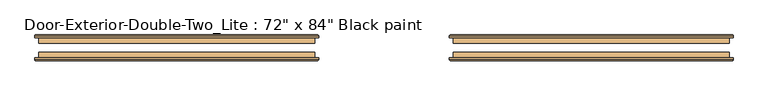
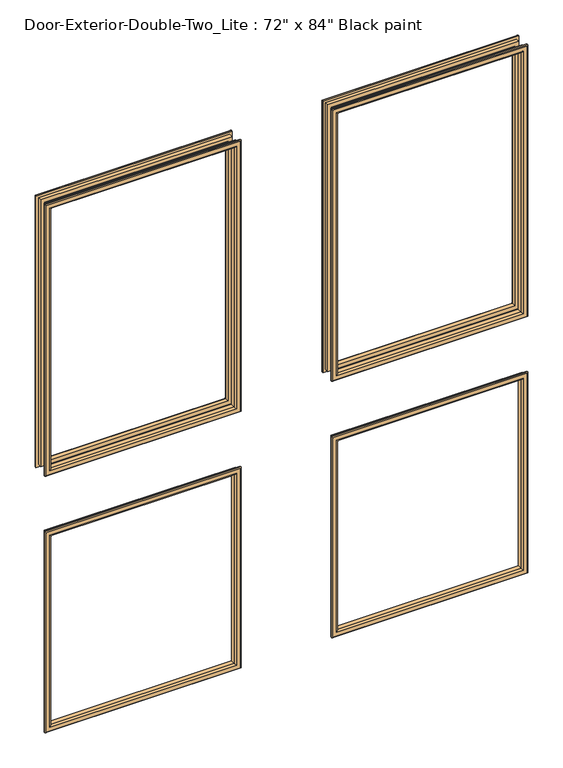
"""IFC4 building model written with IfcOpenShell, lengths in millimetres: door geometry."""

import ifcopenshell
import ifcopenshell.guid

model = None  # the IFC model being written
_history = None  # IfcOwnerHistory: only IFC2X3 demands one
_inside = {}  # id of a spatial element -> (the spatial element, [elements in it])
_under = {}  # id of a project, library or spatial element -> (it, [spatial elements below it])
_declared = {}  # id of a project -> (the project, [libraries it declares])
_typed = {}  # id of a type object -> (the type object, [elements of that type])
_made_of = {}  # id of a material, layer set ... -> (it, [elements and type objects made of it])


def new_model(schema):
    """Start an empty IFC model of exactly this schema.

    Asked for "IFC4X3", IfcOpenShell would pick the latest addendum, in which some entities
    have other attributes; the version numbers below select the first issue.
    IFC2X3 requires an IfcOwnerHistory on every rooted entity: one is made here for all.
    """
    global model, _history
    if schema == "IFC4X3":
        model = ifcopenshell.file(schema_version=(4, 3, 0, 0))
    else:
        model = ifcopenshell.file(schema=schema)
    _inside.clear()
    _under.clear()
    _declared.clear()
    _typed.clear()
    _made_of.clear()
    _history = None
    if model.schema == "IFC2X3":
        org = make("IfcOrganization", Name="unknown")
        user = make(
            "IfcPersonAndOrganization",
            ThePerson=make("IfcPerson", FamilyName="unknown"),
            TheOrganization=org,
        )
        app = make(
            "IfcApplication",
            ApplicationDeveloper=org,
            Version="unknown",
            ApplicationFullName="unknown",
            ApplicationIdentifier="unknown",
        )
        _history = make(
            "IfcOwnerHistory",
            OwningUser=user,
            OwningApplication=app,
            ChangeAction="ADDED",
            CreationDate=0,
        )
    return model


def make(cls, **values):
    """One entity of the class cls with the attributes given. An attribute that is None is left unset."""
    return model.create_entity(
        cls, **{name: value for name, value in values.items() if value is not None}
    )


def rooted(cls, **values):
    """An entity with a GlobalId (a new one), such as an element, a storey or a relation."""
    return make(cls, GlobalId=ifcopenshell.guid.new(), OwnerHistory=_history, **values)


def si_unit(unit_type, name, prefix=None):
    """IfcSIUnit, for example si_unit("LENGTHUNIT", "METRE", prefix="MILLI")."""
    return make("IfcSIUnit", UnitType=unit_type, Prefix=prefix, Name=name)


def assignment(units):
    """IfcUnitAssignment: the units of a project."""
    return None if units is None else make("IfcUnitAssignment", Units=units)


def point(xyz):
    """IfcCartesianPoint."""
    return None if xyz is None else make("IfcCartesianPoint", Coordinates=xyz)


def direction(xyz):
    """IfcDirection."""
    return None if xyz is None else make("IfcDirection", DirectionRatios=xyz)


def frame(location, z_axis=None, x_axis=None):
    """IfcAxis2Placement3D, a coordinate frame: its origin and axes. An axis left out is left unset."""
    return make(
        "IfcAxis2Placement3D",
        Location=point(location),
        Axis=direction(z_axis),
        RefDirection=direction(x_axis),
    )


def origin():
    """The frame at (0, 0, 0) with its axes left unset."""
    return frame((0.0, 0.0, 0.0))


def place(relative_to, where):
    """IfcLocalPlacement: puts the frame where relative to a parent placement (None: the world)."""
    return make(
        "IfcLocalPlacement", PlacementRelTo=relative_to, RelativePlacement=where
    )


def context(
    kind, dimensions, precision=None, world=None, true_north=None, identifier=None
):
    """IfcGeometricRepresentationContext, for example the 3D "Model" context."""
    return make(
        "IfcGeometricRepresentationContext",
        ContextIdentifier=identifier,
        ContextType=kind,
        CoordinateSpaceDimension=dimensions,
        Precision=precision,
        WorldCoordinateSystem=world,
        TrueNorth=true_north,
    )


def project(units=None, contexts=None):
    """IfcProject with its units and contexts."""
    return rooted(
        "IfcProject",
        Name="project",
        RepresentationContexts=contexts,
        UnitsInContext=assignment(units),
    )


def spatial(cls, under=None, at=None, **own):
    """A site, building, storey or space (cls), placed at a placement, below another one or the project."""
    s = rooted(cls, ObjectPlacement=at, **own)
    if under is not None:
        _under.setdefault(under.id(), (under, []))[1].append(s)
    return s


def ellipse_curve(where, semi_axis1, semi_axis2):
    """IfcEllipse in the frame where."""
    return make(
        "IfcEllipse", Position=where, SemiAxis1=semi_axis1, SemiAxis2=semi_axis2
    )


def shape(context_of_items, identifier, shape_type, items):
    """IfcShapeRepresentation: the items that make up one representation, for example the "Body"."""
    return make(
        "IfcShapeRepresentation",
        ContextOfItems=context_of_items,
        RepresentationIdentifier=identifier,
        RepresentationType=shape_type,
        Items=items,
    )


def source(mapping_origin, context_of_items, identifier, shape_type, items):
    """IfcRepresentationMap: a shape defined once, which mapped items show again and again."""
    return make(
        "IfcRepresentationMap",
        MappingOrigin=mapping_origin,
        MappedRepresentation=shape(context_of_items, identifier, shape_type, items),
    )


def transform(
    local_origin,
    x_axis=None,
    y_axis=None,
    z_axis=None,
    scale=None,
    scale2=None,
    scale3=None,
    uniform=True,
):
    """IfcCartesianTransformationOperator3D, or its non-uniform kind. x_axis, y_axis, z_axis: its Axis1, 2, 3."""
    if uniform:
        return make(
            "IfcCartesianTransformationOperator3D",
            Axis1=direction(x_axis),
            Axis2=direction(y_axis),
            LocalOrigin=point(local_origin),
            Scale=scale,
            Axis3=direction(z_axis),
        )
    return make(
        "IfcCartesianTransformationOperator3DnonUniform",
        Axis1=direction(x_axis),
        Axis2=direction(y_axis),
        LocalOrigin=point(local_origin),
        Scale=scale,
        Axis3=direction(z_axis),
        Scale2=scale2,
        Scale3=scale3,
    )


def mapped(mapping_source, mapping_target):
    """IfcMappedItem: shows the shape of a source again, moved by a transform."""
    return make(
        "IfcMappedItem", MappingSource=mapping_source, MappingTarget=mapping_target
    )


def made_of(thing, what):
    """Note that an element or type object is made of a material, layer set ...; save() writes the relation."""
    if what is not None:
        _made_of.setdefault(what.id(), (what, []))[1].append(thing)
    return thing


def element(
    cls,
    number,
    at=None,
    inside=None,
    cuts=None,
    type_object=None,
    material=None,
    context=None,
    identifier="Body",
    shape_type=None,
    held_by="IfcProductDefinitionShape",
    body=None,
    shapes=None,
    **own,
):
    """One element of the class cls, such as IfcWall. Its Tag is "e" and its number.

    at: its placement. inside: the storey or other place that contains it. cuts: it is an
    opening in that element (IfcRelVoidsElement). A single representation is given by context,
    identifier, shape_type and body (its items); several are given by shapes. held_by: the class
    of the entity that holds the representations. save() writes the other relations.
    """
    e = rooted(cls, Tag="e%d" % number, ObjectPlacement=at, **own)
    if body is not None:
        shapes = [shape(context, identifier, shape_type, body)]
    if shapes is not None:
        e.Representation = make(held_by, Representations=shapes)
    if inside is not None:
        _inside.setdefault(inside.id(), (inside, []))[1].append(e)
    if cuts is not None:
        rooted(
            "IfcRelVoidsElement", RelatingBuildingElement=cuts, RelatedOpeningElement=e
        )
    if type_object is not None:
        _typed.setdefault(type_object.id(), (type_object, []))[1].append(e)
    return made_of(e, material)


def aggregate(whole, parts):
    """IfcRelAggregates: a whole, such as a stair, and the parts it consists of."""
    return rooted("IfcRelAggregates", RelatingObject=whole, RelatedObjects=parts)


def save(model, path):
    """Write the relations noted so far, then the file.

    IfcRelAggregates (storeys below a building ...), IfcRelContainedInSpatialStructure (elements
    in a storey), IfcRelDefinesByType, IfcRelAssociatesMaterial and IfcRelDeclares: one each for
    every whole, place, type object, material and project.
    """
    for whole, parts in _under.values():
        aggregate(whole, parts)
    for where, things in _inside.values():
        rooted(
            "IfcRelContainedInSpatialStructure",
            RelatedElements=things,
            RelatingStructure=where,
        )
    for kind, things in _typed.values():
        rooted("IfcRelDefinesByType", RelatedObjects=things, RelatingType=kind)
    for what, things in _made_of.values():
        rooted("IfcRelAssociatesMaterial", RelatedObjects=things, RelatingMaterial=what)
    for by, libraries in _declared.values():
        rooted("IfcRelDeclares", RelatingContext=by, RelatedDefinitions=libraries)
    model.write(path)


def plane_surface(at):
    """IfcPlane: the flat surface through the origin of the frame at, square to its z axis."""
    return make("IfcPlane", Position=at)


def cylinder_surface(at, radius):
    """IfcCylindricalSurface: all points at the distance radius from the z axis of the frame at."""
    return make("IfcCylindricalSurface", Position=at, Radius=radius)


def advanced_brep(points, edges, surfaces, faces):
    """IfcAdvancedBrep: a solid bounded by faces that lie on surfaces and meet in shared edges.

    An edge is (start, end): straight between two places in points (the first is 0);
    or (start, end, curve); or (start, end, curve, False) where it runs against its curve.
    A face is (place in surfaces, loops), or (place, loops, False) where it looks against
    its surface's normal. A loop lists edges by number (the first is 1), with a minus sign
    where the edge is run from its end to its start. The first loop is the outer one.
    """
    corners = [point(p) for p in points]
    vertices = [make("IfcVertexPoint", VertexGeometry=c) for c in corners]
    made = []
    for start, end, *more in edges:
        made.append(
            make(
                "IfcEdgeCurve",
                EdgeStart=vertices[start],
                EdgeEnd=vertices[end],
                EdgeGeometry=more[0] if more else make("IfcPolyline", Points=[corners[start], corners[end]]),
                SameSense=more[1] if len(more) > 1 else True,
            )
        )
    hull = []
    for where, loops, *sense in faces:
        bounds = []
        for j, loop in enumerate(loops):
            ring = [make("IfcOrientedEdge", EdgeElement=made[abs(k) - 1], Orientation=k > 0) for k in loop]
            bounds.append(
                make(
                    "IfcFaceOuterBound" if j == 0 else "IfcFaceBound",
                    Bound=make("IfcEdgeLoop", EdgeList=ring),
                    Orientation=True,
                )
            )
        hull.append(make("IfcAdvancedFace", Bounds=bounds, FaceSurface=surfaces[where], SameSense=sense[0] if sense else True))
    return make("IfcAdvancedBrep", Outer=make("IfcClosedShell", CfsFaces=hull))


def door_36c5cf76(model_context):
    return source(origin(), model_context, "Body", "AdvancedBrep", [
        advanced_brep(
        [(152.4, 195.2625, 2016.125), (152.4, 207.9625, 2016.125), (152.4, 207.9625, 1117.6), (152.4, 195.2625, 1117.6), (164.4, 208.9625, 2004.125), (164.4, 195.2625, 2004.125), (164.4, 195.2625, 1129.6), (164.4, 208.9625, 1129.6), (159.4, 213.9625, 2009.125), (159.4, 213.9625, 1124.6), (144.4, 211.9625, 2024.125), (146.4, 213.9625, 2022.125), (146.4, 213.9625, 1111.6), (144.4, 211.9625, 1109.6), (144.4, 207.9625, 2024.125), (144.4, 207.9625, 1109.6), (762.0, 207.9625, 1117.6), (762.0, 195.2625, 1117.6), (750.0, 195.2625, 1129.6), (750.0, 208.9625, 1129.6), (755.0, 213.9625, 1124.6), (768.0, 213.9625, 1111.6), (770.0, 211.9625, 1109.6), (770.0, 207.9625, 1109.6), (762.0, 207.9625, 2016.125), (762.0, 195.2625, 2016.125), (750.0, 195.2625, 2004.125), (750.0, 208.9625, 2004.125), (755.0, 213.9625, 2009.125), (768.0, 213.9625, 2022.125), (770.0, 211.9625, 2024.125), (770.0, 207.9625, 2024.125)],
        [
            (0, 1),
            (1, 2),
            (2, 3),
            (3, 0),
            (4, 5),
            (5, 6),
            (6, 7),
            (7, 4),
            (8, 4, ellipse_curve(frame((159.4, 208.9625, 2009.125), z_axis=(-0.7071067811865475, 0.0, -0.7071067811865475), x_axis=(-0.7071067811865474, 0.0, 0.7071067811865476)), 7.0710678, 5.0)),
            (7, 9, ellipse_curve(frame((159.4, 208.9625, 1124.6), z_axis=(-0.7071067811865475, 0.0, 0.7071067811865475), x_axis=(0.7071067811865474, 0.0, 0.7071067811865476)), 7.0710678, 5.0)),
            (9, 8),
            (10, 11, ellipse_curve(frame((146.4, 211.9625, 2022.125), z_axis=(-0.7071067811865475, 0.0, -0.7071067811865475), x_axis=(-0.7071067811865474, 0.0, 0.7071067811865476)), 2.8284271, 2.0)),
            (11, 12),
            (12, 13, ellipse_curve(frame((146.4, 211.9625, 1111.6), z_axis=(-0.7071067811865475, 0.0, 0.7071067811865475), x_axis=(0.7071067811865474, 0.0, 0.7071067811865476)), 2.8284271, 2.0)),
            (13, 10),
            (14, 10),
            (13, 15),
            (15, 14),
            (2, 16),
            (16, 17),
            (17, 3),
            (6, 18),
            (18, 19),
            (19, 7),
            (19, 20, ellipse_curve(frame((755.0, 208.9625, 1124.6), z_axis=(-0.7071067811865475, 0.0, -0.7071067811865475), x_axis=(-0.7071067811865476, 0.0, 0.7071067811865474)), 7.0710678, 5.0)),
            (20, 9),
            (12, 21),
            (21, 22, ellipse_curve(frame((768.0, 211.9625, 1111.6), z_axis=(-0.7071067811865475, 0.0, -0.7071067811865475), x_axis=(-0.7071067811865476, 0.0, 0.7071067811865474)), 2.8284271, 2.0)),
            (22, 13),
            (22, 23),
            (23, 15),
            (16, 24),
            (24, 25),
            (25, 17),
            (18, 26),
            (26, 27),
            (27, 19),
            (27, 28, ellipse_curve(frame((755.0, 208.9625, 2009.125), z_axis=(0.7071067811865475, 0.0, -0.7071067811865475), x_axis=(-0.7071067811865474, 0.0, -0.7071067811865476)), 7.0710678, 5.0)),
            (28, 20),
            (21, 29),
            (29, 30, ellipse_curve(frame((768.0, 211.9625, 2022.125), z_axis=(0.7071067811865475, 0.0, -0.7071067811865475), x_axis=(-0.7071067811865474, 0.0, -0.7071067811865476)), 2.8284271, 2.0)),
            (30, 22),
            (30, 31),
            (31, 23),
            (31, 14),
            (1, 24),
            (0, 25),
            (5, 26),
            (4, 27),
            (8, 28),
            (11, 29),
            (10, 30),
        ],
        [
            plane_surface(frame((152.4, 207.9625, 2016.125), z_axis=(-1.0, 0.0, 0.0), x_axis=(0.0, 0.0, -1.0))),
            plane_surface(frame((164.4, 195.2625, 2004.125), z_axis=(1.0, 0.0, 0.0), x_axis=(0.0, 0.0, -1.0))),
            cylinder_surface(frame((159.4, 208.9625, 2016.125), z_axis=(0.0, 0.0, 1.0), x_axis=(-1.0, 0.0, 0.0)), 5.0),
            cylinder_surface(frame((146.4, 211.9625, 2016.125), z_axis=(0.0, 0.0, 1.0), x_axis=(-1.0, 0.0, 0.0)), 2.0),
            plane_surface(frame((144.4, 211.9625, 2024.125), z_axis=(-1.0, 0.0, 0.0), x_axis=(0.0, 0.0, -1.0))),
            plane_surface(frame((152.4, 207.9625, 1117.6), z_axis=(0.0, 0.0, -1.0), x_axis=(1.0, 0.0, 0.0))),
            plane_surface(frame((164.4, 195.2625, 1129.6), z_axis=(0.0, 0.0, 1.0), x_axis=(1.0, 0.0, 0.0))),
            cylinder_surface(frame((152.4, 208.9625, 1124.6), z_axis=(-1.0, 0.0, 0.0), x_axis=(0.0, 0.0, -1.0)), 5.0),
            cylinder_surface(frame((152.4, 211.9625, 1111.6), z_axis=(-1.0, 0.0, 0.0), x_axis=(0.0, 0.0, -1.0)), 2.0),
            plane_surface(frame((144.4, 211.9625, 1109.6), z_axis=(0.0, 0.0, -1.0), x_axis=(1.0, 0.0, 0.0))),
            plane_surface(frame((762.0, 207.9625, 1117.6), z_axis=(1.0, 0.0, 0.0), x_axis=(0.0, 0.0, 1.0))),
            plane_surface(frame((750.0, 195.2625, 1129.6), z_axis=(-1.0, 0.0, 0.0), x_axis=(0.0, 0.0, 1.0))),
            cylinder_surface(frame((755.0, 208.9625, 1117.6), z_axis=(0.0, 0.0, -1.0), x_axis=(1.0, 0.0, 0.0)), 5.0),
            cylinder_surface(frame((768.0, 211.9625, 1117.6), z_axis=(0.0, 0.0, -1.0), x_axis=(1.0, 0.0, 0.0)), 2.0),
            plane_surface(frame((770.0, 211.9625, 1109.6), z_axis=(1.0, 0.0, 0.0), x_axis=(0.0, 0.0, 1.0))),
            plane_surface(frame((770.0, 207.9625, 2024.125), z_axis=(0.0, -1.0, 0.0), x_axis=(-1.0, 0.0, 0.0))),
            plane_surface(frame((762.0, 207.9625, 2016.125), z_axis=(0.0, 0.0, 1.0), x_axis=(-1.0, 0.0, 0.0))),
            plane_surface(frame((762.0, 195.2625, 2016.125), z_axis=(0.0, -1.0, 0.0), x_axis=(-1.0, 0.0, 0.0))),
            plane_surface(frame((750.0, 195.2625, 2004.125), z_axis=(0.0, 0.0, -1.0), x_axis=(-1.0, 0.0, 0.0))),
            cylinder_surface(frame((762.0, 208.9625, 2009.125), z_axis=(1.0, 0.0, 0.0), x_axis=(0.0, 0.0, 1.0)), 5.0),
            plane_surface(frame((755.0, 213.9625, 2009.125), z_axis=(0.0, 1.0, 0.0), x_axis=(-1.0, 0.0, 0.0))),
            cylinder_surface(frame((762.0, 211.9625, 2022.125), z_axis=(1.0, 0.0, 0.0), x_axis=(0.0, 0.0, 1.0)), 2.0),
            plane_surface(frame((770.0, 211.9625, 2024.125), z_axis=(0.0, 0.0, 1.0), x_axis=(-1.0, 0.0, 0.0))),
        ],
        [
            (0, [[1, 2, 3, 4]]),
            (1, [[5, 6, 7, 8]]),
            (2, [[9, -8, 10, 11]]),
            (3, [[12, 13, 14, 15]]),
            (4, [[16, -15, 17, 18]]),
            (5, [[-3, 19, 20, 21]]),
            (6, [[-7, 22, 23, 24]]),
            (7, [[-10, -24, 25, 26]]),
            (8, [[-14, 27, 28, 29]]),
            (9, [[-17, -29, 30, 31]]),
            (10, [[-20, 32, 33, 34]]),
            (11, [[-23, 35, 36, 37]]),
            (12, [[-25, -37, 38, 39]]),
            (13, [[-28, 40, 41, 42]]),
            (14, [[-30, -42, 43, 44]]),
            (15, [[-31, -44, 45, -18], [46, -32, -19, -2]]),
            (16, [[-33, -46, -1, 47]]),
            (17, [[-21, -34, -47, -4], [48, -35, -22, -6]]),
            (18, [[-36, -48, -5, 49]]),
            (19, [[-38, -49, -9, 50]]),
            (20, [[51, -40, -27, -13], [-26, -39, -50, -11]]),
            (21, [[-41, -51, -12, 52]]),
            (22, [[-43, -52, -16, -45]]),
        ],
    ),
        advanced_brep(
        [(-762.0, 195.2625, 2016.125), (-762.0, 207.9625, 2016.125), (-762.0, 207.9625, 1117.6), (-762.0, 195.2625, 1117.6), (-750.0, 208.9625, 2004.125), (-750.0, 195.2625, 2004.125), (-750.0, 195.2625, 1129.6), (-750.0, 208.9625, 1129.6), (-755.0, 213.9625, 2009.125), (-755.0, 213.9625, 1124.6), (-770.0, 211.9625, 2024.125), (-768.0, 213.9625, 2022.125), (-768.0, 213.9625, 1111.6), (-770.0, 211.9625, 1109.6), (-770.0, 207.9625, 2024.125), (-770.0, 207.9625, 1109.6), (-152.4, 207.9625, 1117.6), (-152.4, 195.2625, 1117.6), (-164.4, 195.2625, 1129.6), (-164.4, 208.9625, 1129.6), (-159.4, 213.9625, 1124.6), (-146.4, 213.9625, 1111.6), (-144.4, 211.9625, 1109.6), (-144.4, 207.9625, 1109.6), (-152.4, 207.9625, 2016.125), (-152.4, 195.2625, 2016.125), (-164.4, 195.2625, 2004.125), (-164.4, 208.9625, 2004.125), (-159.4, 213.9625, 2009.125), (-146.4, 213.9625, 2022.125), (-144.4, 211.9625, 2024.125), (-144.4, 207.9625, 2024.125)],
        [
            (0, 1),
            (1, 2),
            (2, 3),
            (3, 0),
            (4, 5),
            (5, 6),
            (6, 7),
            (7, 4),
            (8, 4, ellipse_curve(frame((-755.0, 208.9625, 2009.125), z_axis=(-0.7071067811865475, 0.0, -0.7071067811865475), x_axis=(-0.7071067811865474, 0.0, 0.7071067811865476)), 7.0710678, 5.0)),
            (7, 9, ellipse_curve(frame((-755.0, 208.9625, 1124.6), z_axis=(-0.7071067811865475, 0.0, 0.7071067811865475), x_axis=(0.7071067811865474, 0.0, 0.7071067811865476)), 7.0710678, 5.0)),
            (9, 8),
            (10, 11, ellipse_curve(frame((-768.0, 211.9625, 2022.125), z_axis=(-0.7071067811865475, 0.0, -0.7071067811865475), x_axis=(-0.7071067811865474, 0.0, 0.7071067811865476)), 2.8284271, 2.0)),
            (11, 12),
            (12, 13, ellipse_curve(frame((-768.0, 211.9625, 1111.6), z_axis=(-0.7071067811865475, 0.0, 0.7071067811865475), x_axis=(0.7071067811865474, 0.0, 0.7071067811865476)), 2.8284271, 2.0)),
            (13, 10),
            (14, 10),
            (13, 15),
            (15, 14),
            (2, 16),
            (16, 17),
            (17, 3),
            (6, 18),
            (18, 19),
            (19, 7),
            (19, 20, ellipse_curve(frame((-159.4, 208.9625, 1124.6), z_axis=(-0.7071067811865475, 0.0, -0.7071067811865475), x_axis=(-0.7071067811865476, 0.0, 0.7071067811865474)), 7.0710678, 5.0)),
            (20, 9),
            (12, 21),
            (21, 22, ellipse_curve(frame((-146.4, 211.9625, 1111.6), z_axis=(-0.7071067811865475, 0.0, -0.7071067811865475), x_axis=(-0.7071067811865476, 0.0, 0.7071067811865474)), 2.8284271, 2.0)),
            (22, 13),
            (22, 23),
            (23, 15),
            (16, 24),
            (24, 25),
            (25, 17),
            (18, 26),
            (26, 27),
            (27, 19),
            (27, 28, ellipse_curve(frame((-159.4, 208.9625, 2009.125), z_axis=(0.7071067811865475, 0.0, -0.7071067811865475), x_axis=(-0.7071067811865474, 0.0, -0.7071067811865476)), 7.0710678, 5.0)),
            (28, 20),
            (21, 29),
            (29, 30, ellipse_curve(frame((-146.4, 211.9625, 2022.125), z_axis=(0.7071067811865475, 0.0, -0.7071067811865475), x_axis=(-0.7071067811865474, 0.0, -0.7071067811865476)), 2.8284271, 2.0)),
            (30, 22),
            (30, 31),
            (31, 23),
            (31, 14),
            (1, 24),
            (0, 25),
            (5, 26),
            (4, 27),
            (8, 28),
            (11, 29),
            (10, 30),
        ],
        [
            plane_surface(frame((-762.0, 207.9625, 2016.125), z_axis=(-1.0, 0.0, 0.0), x_axis=(0.0, 0.0, -1.0))),
            plane_surface(frame((-750.0, 195.2625, 2004.125), z_axis=(1.0, 0.0, 0.0), x_axis=(0.0, 0.0, -1.0))),
            cylinder_surface(frame((-755.0, 208.9625, 2016.125), z_axis=(0.0, 0.0, 1.0), x_axis=(-1.0, 0.0, 0.0)), 5.0),
            cylinder_surface(frame((-768.0, 211.9625, 2016.125), z_axis=(0.0, 0.0, 1.0), x_axis=(-1.0, 0.0, 0.0)), 2.0),
            plane_surface(frame((-770.0, 211.9625, 2024.125), z_axis=(-1.0, 0.0, 0.0), x_axis=(0.0, 0.0, -1.0))),
            plane_surface(frame((-762.0, 207.9625, 1117.6), z_axis=(0.0, 0.0, -1.0), x_axis=(1.0, 0.0, 0.0))),
            plane_surface(frame((-750.0, 195.2625, 1129.6), z_axis=(0.0, 0.0, 1.0), x_axis=(1.0, 0.0, 0.0))),
            cylinder_surface(frame((-762.0, 208.9625, 1124.6), z_axis=(-1.0, 0.0, 0.0), x_axis=(0.0, 0.0, -1.0)), 5.0),
            cylinder_surface(frame((-762.0, 211.9625, 1111.6), z_axis=(-1.0, 0.0, 0.0), x_axis=(0.0, 0.0, -1.0)), 2.0),
            plane_surface(frame((-770.0, 211.9625, 1109.6), z_axis=(0.0, 0.0, -1.0), x_axis=(1.0, 0.0, 0.0))),
            plane_surface(frame((-152.4, 207.9625, 1117.6), z_axis=(1.0, 0.0, 0.0), x_axis=(0.0, 0.0, 1.0))),
            plane_surface(frame((-164.4, 195.2625, 1129.6), z_axis=(-1.0, 0.0, 0.0), x_axis=(0.0, 0.0, 1.0))),
            cylinder_surface(frame((-159.4, 208.9625, 1117.6), z_axis=(0.0, 0.0, -1.0), x_axis=(1.0, 0.0, 0.0)), 5.0),
            cylinder_surface(frame((-146.4, 211.9625, 1117.6), z_axis=(0.0, 0.0, -1.0), x_axis=(1.0, 0.0, 0.0)), 2.0),
            plane_surface(frame((-144.4, 211.9625, 1109.6), z_axis=(1.0, 0.0, 0.0), x_axis=(0.0, 0.0, 1.0))),
            plane_surface(frame((-144.4, 207.9625, 2024.125), z_axis=(0.0, -1.0, 0.0), x_axis=(-1.0, 0.0, 0.0))),
            plane_surface(frame((-152.4, 207.9625, 2016.125), z_axis=(0.0, 0.0, 1.0), x_axis=(-1.0, 0.0, 0.0))),
            plane_surface(frame((-152.4, 195.2625, 2016.125), z_axis=(0.0, -1.0, 0.0), x_axis=(-1.0, 0.0, 0.0))),
            plane_surface(frame((-164.4, 195.2625, 2004.125), z_axis=(0.0, 0.0, -1.0), x_axis=(-1.0, 0.0, 0.0))),
            cylinder_surface(frame((-152.4, 208.9625, 2009.125), z_axis=(1.0, 0.0, 0.0), x_axis=(0.0, 0.0, 1.0)), 5.0),
            plane_surface(frame((-159.4, 213.9625, 2009.125), z_axis=(0.0, 1.0, 0.0), x_axis=(-1.0, 0.0, 0.0))),
            cylinder_surface(frame((-152.4, 211.9625, 2022.125), z_axis=(1.0, 0.0, 0.0), x_axis=(0.0, 0.0, 1.0)), 2.0),
            plane_surface(frame((-144.4, 211.9625, 2024.125), z_axis=(0.0, 0.0, 1.0), x_axis=(-1.0, 0.0, 0.0))),
        ],
        [
            (0, [[1, 2, 3, 4]]),
            (1, [[5, 6, 7, 8]]),
            (2, [[9, -8, 10, 11]]),
            (3, [[12, 13, 14, 15]]),
            (4, [[16, -15, 17, 18]]),
            (5, [[-3, 19, 20, 21]]),
            (6, [[-7, 22, 23, 24]]),
            (7, [[-10, -24, 25, 26]]),
            (8, [[-14, 27, 28, 29]]),
            (9, [[-17, -29, 30, 31]]),
            (10, [[-20, 32, 33, 34]]),
            (11, [[-23, 35, 36, 37]]),
            (12, [[-25, -37, 38, 39]]),
            (13, [[-28, 40, 41, 42]]),
            (14, [[-30, -42, 43, 44]]),
            (15, [[-31, -44, 45, -18], [46, -32, -19, -2]]),
            (16, [[-33, -46, -1, 47]]),
            (17, [[-21, -34, -47, -4], [48, -35, -22, -6]]),
            (18, [[-36, -48, -5, 49]]),
            (19, [[-38, -49, -9, 50]]),
            (20, [[51, -40, -27, -13], [-26, -39, -50, -11]]),
            (21, [[-41, -51, -12, 52]]),
            (22, [[-43, -52, -16, -45]]),
        ],
    ),
        advanced_brep(
        [(-762.0, 176.2125, 254.0), (-762.0, 163.5125, 254.0), (-762.0, 163.5125, 914.4), (-762.0, 176.2125, 914.4), (-750.0, 162.5125, 266.0), (-750.0, 176.2125, 266.0), (-750.0, 176.2125, 902.4), (-750.0, 162.5125, 902.4), (-755.0, 157.5125, 261.0), (-755.0, 157.5125, 907.4), (-770.0, 159.5125, 246.0), (-768.0, 157.5125, 248.0), (-768.0, 157.5125, 920.4), (-770.0, 159.5125, 922.4), (-770.0, 163.5125, 246.0), (-770.0, 163.5125, 922.4), (-152.4, 163.5125, 914.4), (-152.4, 176.2125, 914.4), (-164.4, 176.2125, 902.4), (-164.4, 162.5125, 902.4), (-159.4, 157.5125, 907.4), (-146.4, 157.5125, 920.4), (-144.4, 159.5125, 922.4), (-144.4, 163.5125, 922.4), (-152.4, 163.5125, 254.0), (-152.4, 176.2125, 254.0), (-164.4, 176.2125, 266.0), (-164.4, 162.5125, 266.0), (-159.4, 157.5125, 261.0), (-146.4, 157.5125, 248.0), (-144.4, 159.5125, 246.0), (-144.4, 163.5125, 246.0)],
        [
            (0, 1),
            (1, 2),
            (2, 3),
            (3, 0),
            (4, 5),
            (5, 6),
            (6, 7),
            (7, 4),
            (8, 4, ellipse_curve(frame((-755.0, 162.5125, 261.0), z_axis=(-0.7071067811865475, 0.0, 0.7071067811865475), x_axis=(-0.7071067811865474, 0.0, -0.7071067811865476)), 7.0710678, 5.0)),
            (7, 9, ellipse_curve(frame((-755.0, 162.5125, 907.4), z_axis=(-0.7071067811865475, 0.0, -0.7071067811865475), x_axis=(0.7071067811865474, 0.0, -0.7071067811865476)), 7.0710678, 5.0)),
            (9, 8),
            (10, 11, ellipse_curve(frame((-768.0, 159.5125, 248.0), z_axis=(-0.7071067811865475, 0.0, 0.7071067811865475), x_axis=(-0.7071067811865474, 0.0, -0.7071067811865476)), 2.8284271, 2.0)),
            (11, 12),
            (12, 13, ellipse_curve(frame((-768.0, 159.5125, 920.4), z_axis=(-0.7071067811865475, 0.0, -0.7071067811865475), x_axis=(0.7071067811865474, 0.0, -0.7071067811865476)), 2.8284271, 2.0)),
            (13, 10),
            (14, 10),
            (13, 15),
            (15, 14),
            (2, 16),
            (16, 17),
            (17, 3),
            (6, 18),
            (18, 19),
            (19, 7),
            (19, 20, ellipse_curve(frame((-159.4, 162.5125, 907.4), z_axis=(-0.7071067811865475, 0.0, 0.7071067811865475), x_axis=(-0.7071067811865476, 0.0, -0.7071067811865474)), 7.0710678, 5.0)),
            (20, 9),
            (12, 21),
            (21, 22, ellipse_curve(frame((-146.4, 159.5125, 920.4), z_axis=(-0.7071067811865475, 0.0, 0.7071067811865475), x_axis=(-0.7071067811865476, 0.0, -0.7071067811865474)), 2.8284271, 2.0)),
            (22, 13),
            (22, 23),
            (23, 15),
            (16, 24),
            (24, 25),
            (25, 17),
            (18, 26),
            (26, 27),
            (27, 19),
            (27, 28, ellipse_curve(frame((-159.4, 162.5125, 261.0), z_axis=(0.7071067811865475, 0.0, 0.7071067811865475), x_axis=(-0.7071067811865474, 0.0, 0.7071067811865476)), 7.0710678, 5.0)),
            (28, 20),
            (21, 29),
            (29, 30, ellipse_curve(frame((-146.4, 159.5125, 248.0), z_axis=(0.7071067811865475, 0.0, 0.7071067811865475), x_axis=(-0.7071067811865474, 0.0, 0.7071067811865476)), 2.8284271, 2.0)),
            (30, 22),
            (30, 31),
            (31, 23),
            (31, 14),
            (1, 24),
            (0, 25),
            (5, 26),
            (4, 27),
            (8, 28),
            (11, 29),
            (10, 30),
        ],
        [
            plane_surface(frame((-762.0, 163.5125, 254.0), z_axis=(-1.0, 0.0, 0.0), x_axis=(0.0, 0.0, 1.0))),
            plane_surface(frame((-750.0, 176.2125, 266.0), z_axis=(1.0, 0.0, 0.0), x_axis=(0.0, 0.0, 1.0))),
            cylinder_surface(frame((-755.0, 162.5125, 254.0), z_axis=(0.0, 0.0, -1.0), x_axis=(-1.0, 0.0, 0.0)), 5.0),
            cylinder_surface(frame((-768.0, 159.5125, 254.0), z_axis=(0.0, 0.0, -1.0), x_axis=(-1.0, 0.0, 0.0)), 2.0),
            plane_surface(frame((-770.0, 159.5125, 246.0), z_axis=(-1.0, 0.0, 0.0), x_axis=(0.0, 0.0, 1.0))),
            plane_surface(frame((-762.0, 163.5125, 914.4), z_axis=(0.0, 0.0, 1.0), x_axis=(1.0, 0.0, 0.0))),
            plane_surface(frame((-750.0, 176.2125, 902.4), z_axis=(0.0, 0.0, -1.0), x_axis=(1.0, 0.0, 0.0))),
            cylinder_surface(frame((-762.0, 162.5125, 907.4), z_axis=(-1.0, 0.0, 0.0), x_axis=(0.0, 0.0, 1.0)), 5.0),
            cylinder_surface(frame((-762.0, 159.5125, 920.4), z_axis=(-1.0, 0.0, 0.0), x_axis=(0.0, 0.0, 1.0)), 2.0),
            plane_surface(frame((-770.0, 159.5125, 922.4), z_axis=(0.0, 0.0, 1.0), x_axis=(1.0, 0.0, 0.0))),
            plane_surface(frame((-152.4, 163.5125, 914.4), z_axis=(1.0, 0.0, 0.0), x_axis=(0.0, 0.0, -1.0))),
            plane_surface(frame((-164.4, 176.2125, 902.4), z_axis=(-1.0, 0.0, 0.0), x_axis=(0.0, 0.0, -1.0))),
            cylinder_surface(frame((-159.4, 162.5125, 914.4), z_axis=(0.0, 0.0, 1.0), x_axis=(1.0, 0.0, 0.0)), 5.0),
            cylinder_surface(frame((-146.4, 159.5125, 914.4), z_axis=(0.0, 0.0, 1.0), x_axis=(1.0, 0.0, 0.0)), 2.0),
            plane_surface(frame((-144.4, 159.5125, 922.4), z_axis=(1.0, 0.0, 0.0), x_axis=(0.0, 0.0, -1.0))),
            plane_surface(frame((-144.4, 163.5125, 246.0), z_axis=(0.0, 1.0, 0.0), x_axis=(-1.0, 0.0, 0.0))),
            plane_surface(frame((-152.4, 163.5125, 254.0), z_axis=(0.0, 0.0, -1.0), x_axis=(-1.0, 0.0, 0.0))),
            plane_surface(frame((-152.4, 176.2125, 254.0), z_axis=(0.0, 1.0, 0.0), x_axis=(-1.0, 0.0, 0.0))),
            plane_surface(frame((-164.4, 176.2125, 266.0), z_axis=(0.0, 0.0, 1.0), x_axis=(-1.0, 0.0, 0.0))),
            cylinder_surface(frame((-152.4, 162.5125, 261.0), z_axis=(1.0, 0.0, 0.0), x_axis=(0.0, 0.0, -1.0)), 5.0),
            plane_surface(frame((-159.4, 157.5125, 261.0), z_axis=(0.0, -1.0, 0.0), x_axis=(-1.0, 0.0, 0.0))),
            cylinder_surface(frame((-152.4, 159.5125, 248.0), z_axis=(1.0, 0.0, 0.0), x_axis=(0.0, 0.0, -1.0)), 2.0),
            plane_surface(frame((-144.4, 159.5125, 246.0), z_axis=(0.0, 0.0, -1.0), x_axis=(-1.0, 0.0, 0.0))),
        ],
        [
            (0, [[1, 2, 3, 4]]),
            (1, [[5, 6, 7, 8]]),
            (2, [[9, -8, 10, 11]]),
            (3, [[12, 13, 14, 15]]),
            (4, [[16, -15, 17, 18]]),
            (5, [[-3, 19, 20, 21]]),
            (6, [[-7, 22, 23, 24]]),
            (7, [[-10, -24, 25, 26]]),
            (8, [[-14, 27, 28, 29]]),
            (9, [[-17, -29, 30, 31]]),
            (10, [[-20, 32, 33, 34]]),
            (11, [[-23, 35, 36, 37]]),
            (12, [[-25, -37, 38, 39]]),
            (13, [[-28, 40, 41, 42]]),
            (14, [[-30, -42, 43, 44]]),
            (15, [[-31, -44, 45, -18], [46, -32, -19, -2]]),
            (16, [[-33, -46, -1, 47]]),
            (17, [[-21, -34, -47, -4], [48, -35, -22, -6]]),
            (18, [[-36, -48, -5, 49]]),
            (19, [[-38, -49, -9, 50]]),
            (20, [[51, -40, -27, -13], [-26, -39, -50, -11]]),
            (21, [[-41, -51, -12, 52]]),
            (22, [[-43, -52, -16, -45]]),
        ],
    ),
        advanced_brep(
        [(152.4, 176.2125, 254.0), (152.4, 163.5125, 254.0), (152.4, 163.5125, 914.4), (152.4, 176.2125, 914.4), (164.4, 162.5125, 266.0), (164.4, 176.2125, 266.0), (164.4, 176.2125, 902.4), (164.4, 162.5125, 902.4), (159.4, 157.5125, 261.0), (159.4, 157.5125, 907.4), (144.4, 159.5125, 246.0), (146.4, 157.5125, 248.0), (146.4, 157.5125, 920.4), (144.4, 159.5125, 922.4), (144.4, 163.5125, 246.0), (144.4, 163.5125, 922.4), (762.0, 163.5125, 914.4), (762.0, 176.2125, 914.4), (750.0, 176.2125, 902.4), (750.0, 162.5125, 902.4), (755.0, 157.5125, 907.4), (768.0, 157.5125, 920.4), (770.0, 159.5125, 922.4), (770.0, 163.5125, 922.4), (762.0, 163.5125, 254.0), (762.0, 176.2125, 254.0), (750.0, 176.2125, 266.0), (750.0, 162.5125, 266.0), (755.0, 157.5125, 261.0), (768.0, 157.5125, 248.0), (770.0, 159.5125, 246.0), (770.0, 163.5125, 246.0)],
        [
            (0, 1),
            (1, 2),
            (2, 3),
            (3, 0),
            (4, 5),
            (5, 6),
            (6, 7),
            (7, 4),
            (8, 4, ellipse_curve(frame((159.4, 162.5125, 261.0), z_axis=(-0.7071067811865475, 0.0, 0.7071067811865475), x_axis=(-0.7071067811865474, 0.0, -0.7071067811865476)), 7.0710678, 5.0)),
            (7, 9, ellipse_curve(frame((159.4, 162.5125, 907.4), z_axis=(-0.7071067811865475, 0.0, -0.7071067811865475), x_axis=(0.7071067811865474, 0.0, -0.7071067811865476)), 7.0710678, 5.0)),
            (9, 8),
            (10, 11, ellipse_curve(frame((146.4, 159.5125, 248.0), z_axis=(-0.7071067811865475, 0.0, 0.7071067811865475), x_axis=(-0.7071067811865474, 0.0, -0.7071067811865476)), 2.8284271, 2.0)),
            (11, 12),
            (12, 13, ellipse_curve(frame((146.4, 159.5125, 920.4), z_axis=(-0.7071067811865475, 0.0, -0.7071067811865475), x_axis=(0.7071067811865474, 0.0, -0.7071067811865476)), 2.8284271, 2.0)),
            (13, 10),
            (14, 10),
            (13, 15),
            (15, 14),
            (2, 16),
            (16, 17),
            (17, 3),
            (6, 18),
            (18, 19),
            (19, 7),
            (19, 20, ellipse_curve(frame((755.0, 162.5125, 907.4), z_axis=(-0.7071067811865475, 0.0, 0.7071067811865475), x_axis=(-0.7071067811865476, 0.0, -0.7071067811865474)), 7.0710678, 5.0)),
            (20, 9),
            (12, 21),
            (21, 22, ellipse_curve(frame((768.0, 159.5125, 920.4), z_axis=(-0.7071067811865475, 0.0, 0.7071067811865475), x_axis=(-0.7071067811865476, 0.0, -0.7071067811865474)), 2.8284271, 2.0)),
            (22, 13),
            (22, 23),
            (23, 15),
            (16, 24),
            (24, 25),
            (25, 17),
            (18, 26),
            (26, 27),
            (27, 19),
            (27, 28, ellipse_curve(frame((755.0, 162.5125, 261.0), z_axis=(0.7071067811865475, 0.0, 0.7071067811865475), x_axis=(-0.7071067811865474, 0.0, 0.7071067811865476)), 7.0710678, 5.0)),
            (28, 20),
            (21, 29),
            (29, 30, ellipse_curve(frame((768.0, 159.5125, 248.0), z_axis=(0.7071067811865475, 0.0, 0.7071067811865475), x_axis=(-0.7071067811865474, 0.0, 0.7071067811865476)), 2.8284271, 2.0)),
            (30, 22),
            (30, 31),
            (31, 23),
            (31, 14),
            (1, 24),
            (0, 25),
            (5, 26),
            (4, 27),
            (8, 28),
            (11, 29),
            (10, 30),
        ],
        [
            plane_surface(frame((152.4, 163.5125, 254.0), z_axis=(-1.0, 0.0, 0.0), x_axis=(0.0, 0.0, 1.0))),
            plane_surface(frame((164.4, 176.2125, 266.0), z_axis=(1.0, 0.0, 0.0), x_axis=(0.0, 0.0, 1.0))),
            cylinder_surface(frame((159.4, 162.5125, 254.0), z_axis=(0.0, 0.0, -1.0), x_axis=(-1.0, 0.0, 0.0)), 5.0),
            cylinder_surface(frame((146.4, 159.5125, 254.0), z_axis=(0.0, 0.0, -1.0), x_axis=(-1.0, 0.0, 0.0)), 2.0),
            plane_surface(frame((144.4, 159.5125, 246.0), z_axis=(-1.0, 0.0, 0.0), x_axis=(0.0, 0.0, 1.0))),
            plane_surface(frame((152.4, 163.5125, 914.4), z_axis=(0.0, 0.0, 1.0), x_axis=(1.0, 0.0, 0.0))),
            plane_surface(frame((164.4, 176.2125, 902.4), z_axis=(0.0, 0.0, -1.0), x_axis=(1.0, 0.0, 0.0))),
            cylinder_surface(frame((152.4, 162.5125, 907.4), z_axis=(-1.0, 0.0, 0.0), x_axis=(0.0, 0.0, 1.0)), 5.0),
            cylinder_surface(frame((152.4, 159.5125, 920.4), z_axis=(-1.0, 0.0, 0.0), x_axis=(0.0, 0.0, 1.0)), 2.0),
            plane_surface(frame((144.4, 159.5125, 922.4), z_axis=(0.0, 0.0, 1.0), x_axis=(1.0, 0.0, 0.0))),
            plane_surface(frame((762.0, 163.5125, 914.4), z_axis=(1.0, 0.0, 0.0), x_axis=(0.0, 0.0, -1.0))),
            plane_surface(frame((750.0, 176.2125, 902.4), z_axis=(-1.0, 0.0, 0.0), x_axis=(0.0, 0.0, -1.0))),
            cylinder_surface(frame((755.0, 162.5125, 914.4), z_axis=(0.0, 0.0, 1.0), x_axis=(1.0, 0.0, 0.0)), 5.0),
            cylinder_surface(frame((768.0, 159.5125, 914.4), z_axis=(0.0, 0.0, 1.0), x_axis=(1.0, 0.0, 0.0)), 2.0),
            plane_surface(frame((770.0, 159.5125, 922.4), z_axis=(1.0, 0.0, 0.0), x_axis=(0.0, 0.0, -1.0))),
            plane_surface(frame((770.0, 163.5125, 246.0), z_axis=(0.0, 1.0, 0.0), x_axis=(-1.0, 0.0, 0.0))),
            plane_surface(frame((762.0, 163.5125, 254.0), z_axis=(0.0, 0.0, -1.0), x_axis=(-1.0, 0.0, 0.0))),
            plane_surface(frame((762.0, 176.2125, 254.0), z_axis=(0.0, 1.0, 0.0), x_axis=(-1.0, 0.0, 0.0))),
            plane_surface(frame((750.0, 176.2125, 266.0), z_axis=(0.0, 0.0, 1.0), x_axis=(-1.0, 0.0, 0.0))),
            cylinder_surface(frame((762.0, 162.5125, 261.0), z_axis=(1.0, 0.0, 0.0), x_axis=(0.0, 0.0, -1.0)), 5.0),
            plane_surface(frame((755.0, 157.5125, 261.0), z_axis=(0.0, -1.0, 0.0), x_axis=(-1.0, 0.0, 0.0))),
            cylinder_surface(frame((762.0, 159.5125, 248.0), z_axis=(1.0, 0.0, 0.0), x_axis=(0.0, 0.0, -1.0)), 2.0),
            plane_surface(frame((770.0, 159.5125, 246.0), z_axis=(0.0, 0.0, -1.0), x_axis=(-1.0, 0.0, 0.0))),
        ],
        [
            (0, [[1, 2, 3, 4]]),
            (1, [[5, 6, 7, 8]]),
            (2, [[9, -8, 10, 11]]),
            (3, [[12, 13, 14, 15]]),
            (4, [[16, -15, 17, 18]]),
            (5, [[-3, 19, 20, 21]]),
            (6, [[-7, 22, 23, 24]]),
            (7, [[-10, -24, 25, 26]]),
            (8, [[-14, 27, 28, 29]]),
            (9, [[-17, -29, 30, 31]]),
            (10, [[-20, 32, 33, 34]]),
            (11, [[-23, 35, 36, 37]]),
            (12, [[-25, -37, 38, 39]]),
            (13, [[-28, 40, 41, 42]]),
            (14, [[-30, -42, 43, 44]]),
            (15, [[-31, -44, 45, -18], [46, -32, -19, -2]]),
            (16, [[-33, -46, -1, 47]]),
            (17, [[-21, -34, -47, -4], [48, -35, -22, -6]]),
            (18, [[-36, -48, -5, 49]]),
            (19, [[-38, -49, -9, 50]]),
            (20, [[51, -40, -27, -13], [-26, -39, -50, -11]]),
            (21, [[-41, -51, -12, 52]]),
            (22, [[-43, -52, -16, -45]]),
        ],
    ),
        advanced_brep(
        [(152.4, 176.2125, 1117.6), (152.4, 163.5125, 1117.6), (152.4, 163.5125, 2016.125), (152.4, 176.2125, 2016.125), (164.4, 162.5125, 1129.6), (164.4, 176.2125, 1129.6), (164.4, 176.2125, 2004.125), (164.4, 162.5125, 2004.125), (159.4, 157.5125, 1124.6), (159.4, 157.5125, 2009.125), (144.4, 159.5125, 1109.6), (146.4, 157.5125, 1111.6), (146.4, 157.5125, 2022.125), (144.4, 159.5125, 2024.125), (144.4, 163.5125, 1109.6), (144.4, 163.5125, 2024.125), (762.0, 163.5125, 2016.125), (762.0, 176.2125, 2016.125), (750.0, 176.2125, 2004.125), (750.0, 162.5125, 2004.125), (755.0, 157.5125, 2009.125), (768.0, 157.5125, 2022.125), (770.0, 159.5125, 2024.125), (770.0, 163.5125, 2024.125), (762.0, 163.5125, 1117.6), (762.0, 176.2125, 1117.6), (750.0, 176.2125, 1129.6), (750.0, 162.5125, 1129.6), (755.0, 157.5125, 1124.6), (768.0, 157.5125, 1111.6), (770.0, 159.5125, 1109.6), (770.0, 163.5125, 1109.6)],
        [
            (0, 1),
            (1, 2),
            (2, 3),
            (3, 0),
            (4, 5),
            (5, 6),
            (6, 7),
            (7, 4),
            (8, 4, ellipse_curve(frame((159.4, 162.5125, 1124.6), z_axis=(-0.7071067811865475, 0.0, 0.7071067811865475), x_axis=(-0.7071067811865474, 0.0, -0.7071067811865476)), 7.0710678, 5.0)),
            (7, 9, ellipse_curve(frame((159.4, 162.5125, 2009.125), z_axis=(-0.7071067811865475, 0.0, -0.7071067811865475), x_axis=(0.7071067811865474, 0.0, -0.7071067811865476)), 7.0710678, 5.0)),
            (9, 8),
            (10, 11, ellipse_curve(frame((146.4, 159.5125, 1111.6), z_axis=(-0.7071067811865475, 0.0, 0.7071067811865475), x_axis=(-0.7071067811865474, 0.0, -0.7071067811865476)), 2.8284271, 2.0)),
            (11, 12),
            (12, 13, ellipse_curve(frame((146.4, 159.5125, 2022.125), z_axis=(-0.7071067811865475, 0.0, -0.7071067811865475), x_axis=(0.7071067811865474, 0.0, -0.7071067811865476)), 2.8284271, 2.0)),
            (13, 10),
            (14, 10),
            (13, 15),
            (15, 14),
            (2, 16),
            (16, 17),
            (17, 3),
            (6, 18),
            (18, 19),
            (19, 7),
            (19, 20, ellipse_curve(frame((755.0, 162.5125, 2009.125), z_axis=(-0.7071067811865475, 0.0, 0.7071067811865475), x_axis=(-0.7071067811865476, 0.0, -0.7071067811865474)), 7.0710678, 5.0)),
            (20, 9),
            (12, 21),
            (21, 22, ellipse_curve(frame((768.0, 159.5125, 2022.125), z_axis=(-0.7071067811865475, 0.0, 0.7071067811865475), x_axis=(-0.7071067811865476, 0.0, -0.7071067811865474)), 2.8284271, 2.0)),
            (22, 13),
            (22, 23),
            (23, 15),
            (16, 24),
            (24, 25),
            (25, 17),
            (18, 26),
            (26, 27),
            (27, 19),
            (27, 28, ellipse_curve(frame((755.0, 162.5125, 1124.6), z_axis=(0.7071067811865475, 0.0, 0.7071067811865475), x_axis=(-0.7071067811865474, 0.0, 0.7071067811865476)), 7.0710678, 5.0)),
            (28, 20),
            (21, 29),
            (29, 30, ellipse_curve(frame((768.0, 159.5125, 1111.6), z_axis=(0.7071067811865475, 0.0, 0.7071067811865475), x_axis=(-0.7071067811865474, 0.0, 0.7071067811865476)), 2.8284271, 2.0)),
            (30, 22),
            (30, 31),
            (31, 23),
            (31, 14),
            (1, 24),
            (0, 25),
            (5, 26),
            (4, 27),
            (8, 28),
            (11, 29),
            (10, 30),
        ],
        [
            plane_surface(frame((152.4, 163.5125, 1117.6), z_axis=(-1.0, 0.0, 0.0), x_axis=(0.0, 0.0, 1.0))),
            plane_surface(frame((164.4, 176.2125, 1129.6), z_axis=(1.0, 0.0, 0.0), x_axis=(0.0, 0.0, 1.0))),
            cylinder_surface(frame((159.4, 162.5125, 1117.6), z_axis=(0.0, 0.0, -1.0), x_axis=(-1.0, 0.0, 0.0)), 5.0),
            cylinder_surface(frame((146.4, 159.5125, 1117.6), z_axis=(0.0, 0.0, -1.0), x_axis=(-1.0, 0.0, 0.0)), 2.0),
            plane_surface(frame((144.4, 159.5125, 1109.6), z_axis=(-1.0, 0.0, 0.0), x_axis=(0.0, 0.0, 1.0))),
            plane_surface(frame((152.4, 163.5125, 2016.125), z_axis=(0.0, 0.0, 1.0), x_axis=(1.0, 0.0, 0.0))),
            plane_surface(frame((164.4, 176.2125, 2004.125), z_axis=(0.0, 0.0, -1.0), x_axis=(1.0, 0.0, 0.0))),
            cylinder_surface(frame((152.4, 162.5125, 2009.125), z_axis=(-1.0, 0.0, 0.0), x_axis=(0.0, 0.0, 1.0)), 5.0),
            cylinder_surface(frame((152.4, 159.5125, 2022.125), z_axis=(-1.0, 0.0, 0.0), x_axis=(0.0, 0.0, 1.0)), 2.0),
            plane_surface(frame((144.4, 159.5125, 2024.125), z_axis=(0.0, 0.0, 1.0), x_axis=(1.0, 0.0, 0.0))),
            plane_surface(frame((762.0, 163.5125, 2016.125), z_axis=(1.0, 0.0, 0.0), x_axis=(0.0, 0.0, -1.0))),
            plane_surface(frame((750.0, 176.2125, 2004.125), z_axis=(-1.0, 0.0, 0.0), x_axis=(0.0, 0.0, -1.0))),
            cylinder_surface(frame((755.0, 162.5125, 2016.125), z_axis=(0.0, 0.0, 1.0), x_axis=(1.0, 0.0, 0.0)), 5.0),
            cylinder_surface(frame((768.0, 159.5125, 2016.125), z_axis=(0.0, 0.0, 1.0), x_axis=(1.0, 0.0, 0.0)), 2.0),
            plane_surface(frame((770.0, 159.5125, 2024.125), z_axis=(1.0, 0.0, 0.0), x_axis=(0.0, 0.0, -1.0))),
            plane_surface(frame((770.0, 163.5125, 1109.6), z_axis=(0.0, 1.0, 0.0), x_axis=(-1.0, 0.0, 0.0))),
            plane_surface(frame((762.0, 163.5125, 1117.6), z_axis=(0.0, 0.0, -1.0), x_axis=(-1.0, 0.0, 0.0))),
            plane_surface(frame((762.0, 176.2125, 1117.6), z_axis=(0.0, 1.0, 0.0), x_axis=(-1.0, 0.0, 0.0))),
            plane_surface(frame((750.0, 176.2125, 1129.6), z_axis=(0.0, 0.0, 1.0), x_axis=(-1.0, 0.0, 0.0))),
            cylinder_surface(frame((762.0, 162.5125, 1124.6), z_axis=(1.0, 0.0, 0.0), x_axis=(0.0, 0.0, -1.0)), 5.0),
            plane_surface(frame((755.0, 157.5125, 1124.6), z_axis=(0.0, -1.0, 0.0), x_axis=(-1.0, 0.0, 0.0))),
            cylinder_surface(frame((762.0, 159.5125, 1111.6), z_axis=(1.0, 0.0, 0.0), x_axis=(0.0, 0.0, -1.0)), 2.0),
            plane_surface(frame((770.0, 159.5125, 1109.6), z_axis=(0.0, 0.0, -1.0), x_axis=(-1.0, 0.0, 0.0))),
        ],
        [
            (0, [[1, 2, 3, 4]]),
            (1, [[5, 6, 7, 8]]),
            (2, [[9, -8, 10, 11]]),
            (3, [[12, 13, 14, 15]]),
            (4, [[16, -15, 17, 18]]),
            (5, [[-3, 19, 20, 21]]),
            (6, [[-7, 22, 23, 24]]),
            (7, [[-10, -24, 25, 26]]),
            (8, [[-14, 27, 28, 29]]),
            (9, [[-17, -29, 30, 31]]),
            (10, [[-20, 32, 33, 34]]),
            (11, [[-23, 35, 36, 37]]),
            (12, [[-25, -37, 38, 39]]),
            (13, [[-28, 40, 41, 42]]),
            (14, [[-30, -42, 43, 44]]),
            (15, [[-31, -44, 45, -18], [46, -32, -19, -2]]),
            (16, [[-33, -46, -1, 47]]),
            (17, [[-21, -34, -47, -4], [48, -35, -22, -6]]),
            (18, [[-36, -48, -5, 49]]),
            (19, [[-38, -49, -9, 50]]),
            (20, [[51, -40, -27, -13], [-26, -39, -50, -11]]),
            (21, [[-41, -51, -12, 52]]),
            (22, [[-43, -52, -16, -45]]),
        ],
    ),
        advanced_brep(
        [(-762.0, 176.2125, 1117.6), (-762.0, 163.5125, 1117.6), (-762.0, 163.5125, 2016.125), (-762.0, 176.2125, 2016.125), (-750.0, 162.5125, 1129.6), (-750.0, 176.2125, 1129.6), (-750.0, 176.2125, 2004.125), (-750.0, 162.5125, 2004.125), (-755.0, 157.5125, 1124.6), (-755.0, 157.5125, 2009.125), (-770.0, 159.5125, 1109.6), (-768.0, 157.5125, 1111.6), (-768.0, 157.5125, 2022.125), (-770.0, 159.5125, 2024.125), (-770.0, 163.5125, 1109.6), (-770.0, 163.5125, 2024.125), (-152.4, 163.5125, 2016.125), (-152.4, 176.2125, 2016.125), (-164.4, 176.2125, 2004.125), (-164.4, 162.5125, 2004.125), (-159.4, 157.5125, 2009.125), (-146.4, 157.5125, 2022.125), (-144.4, 159.5125, 2024.125), (-144.4, 163.5125, 2024.125), (-152.4, 163.5125, 1117.6), (-152.4, 176.2125, 1117.6), (-164.4, 176.2125, 1129.6), (-164.4, 162.5125, 1129.6), (-159.4, 157.5125, 1124.6), (-146.4, 157.5125, 1111.6), (-144.4, 159.5125, 1109.6), (-144.4, 163.5125, 1109.6)],
        [
            (0, 1),
            (1, 2),
            (2, 3),
            (3, 0),
            (4, 5),
            (5, 6),
            (6, 7),
            (7, 4),
            (8, 4, ellipse_curve(frame((-755.0, 162.5125, 1124.6), z_axis=(-0.7071067811865475, 0.0, 0.7071067811865475), x_axis=(-0.7071067811865474, 0.0, -0.7071067811865476)), 7.0710678, 5.0)),
            (7, 9, ellipse_curve(frame((-755.0, 162.5125, 2009.125), z_axis=(-0.7071067811865475, 0.0, -0.7071067811865475), x_axis=(0.7071067811865474, 0.0, -0.7071067811865476)), 7.0710678, 5.0)),
            (9, 8),
            (10, 11, ellipse_curve(frame((-768.0, 159.5125, 1111.6), z_axis=(-0.7071067811865475, 0.0, 0.7071067811865475), x_axis=(-0.7071067811865474, 0.0, -0.7071067811865476)), 2.8284271, 2.0)),
            (11, 12),
            (12, 13, ellipse_curve(frame((-768.0, 159.5125, 2022.125), z_axis=(-0.7071067811865475, 0.0, -0.7071067811865475), x_axis=(0.7071067811865474, 0.0, -0.7071067811865476)), 2.8284271, 2.0)),
            (13, 10),
            (14, 10),
            (13, 15),
            (15, 14),
            (2, 16),
            (16, 17),
            (17, 3),
            (6, 18),
            (18, 19),
            (19, 7),
            (19, 20, ellipse_curve(frame((-159.4, 162.5125, 2009.125), z_axis=(-0.7071067811865475, 0.0, 0.7071067811865475), x_axis=(-0.7071067811865476, 0.0, -0.7071067811865474)), 7.0710678, 5.0)),
            (20, 9),
            (12, 21),
            (21, 22, ellipse_curve(frame((-146.4, 159.5125, 2022.125), z_axis=(-0.7071067811865475, 0.0, 0.7071067811865475), x_axis=(-0.7071067811865476, 0.0, -0.7071067811865474)), 2.8284271, 2.0)),
            (22, 13),
            (22, 23),
            (23, 15),
            (16, 24),
            (24, 25),
            (25, 17),
            (18, 26),
            (26, 27),
            (27, 19),
            (27, 28, ellipse_curve(frame((-159.4, 162.5125, 1124.6), z_axis=(0.7071067811865475, 0.0, 0.7071067811865475), x_axis=(-0.7071067811865474, 0.0, 0.7071067811865476)), 7.0710678, 5.0)),
            (28, 20),
            (21, 29),
            (29, 30, ellipse_curve(frame((-146.4, 159.5125, 1111.6), z_axis=(0.7071067811865475, 0.0, 0.7071067811865475), x_axis=(-0.7071067811865474, 0.0, 0.7071067811865476)), 2.8284271, 2.0)),
            (30, 22),
            (30, 31),
            (31, 23),
            (31, 14),
            (1, 24),
            (0, 25),
            (5, 26),
            (4, 27),
            (8, 28),
            (11, 29),
            (10, 30),
        ],
        [
            plane_surface(frame((-762.0, 163.5125, 1117.6), z_axis=(-1.0, 0.0, 0.0), x_axis=(0.0, 0.0, 1.0))),
            plane_surface(frame((-750.0, 176.2125, 1129.6), z_axis=(1.0, 0.0, 0.0), x_axis=(0.0, 0.0, 1.0))),
            cylinder_surface(frame((-755.0, 162.5125, 1117.6), z_axis=(0.0, 0.0, -1.0), x_axis=(-1.0, 0.0, 0.0)), 5.0),
            cylinder_surface(frame((-768.0, 159.5125, 1117.6), z_axis=(0.0, 0.0, -1.0), x_axis=(-1.0, 0.0, 0.0)), 2.0),
            plane_surface(frame((-770.0, 159.5125, 1109.6), z_axis=(-1.0, 0.0, 0.0), x_axis=(0.0, 0.0, 1.0))),
            plane_surface(frame((-762.0, 163.5125, 2016.125), z_axis=(0.0, 0.0, 1.0), x_axis=(1.0, 0.0, 0.0))),
            plane_surface(frame((-750.0, 176.2125, 2004.125), z_axis=(0.0, 0.0, -1.0), x_axis=(1.0, 0.0, 0.0))),
            cylinder_surface(frame((-762.0, 162.5125, 2009.125), z_axis=(-1.0, 0.0, 0.0), x_axis=(0.0, 0.0, 1.0)), 5.0),
            cylinder_surface(frame((-762.0, 159.5125, 2022.125), z_axis=(-1.0, 0.0, 0.0), x_axis=(0.0, 0.0, 1.0)), 2.0),
            plane_surface(frame((-770.0, 159.5125, 2024.125), z_axis=(0.0, 0.0, 1.0), x_axis=(1.0, 0.0, 0.0))),
            plane_surface(frame((-152.4, 163.5125, 2016.125), z_axis=(1.0, 0.0, 0.0), x_axis=(0.0, 0.0, -1.0))),
            plane_surface(frame((-164.4, 176.2125, 2004.125), z_axis=(-1.0, 0.0, 0.0), x_axis=(0.0, 0.0, -1.0))),
            cylinder_surface(frame((-159.4, 162.5125, 2016.125), z_axis=(0.0, 0.0, 1.0), x_axis=(1.0, 0.0, 0.0)), 5.0),
            cylinder_surface(frame((-146.4, 159.5125, 2016.125), z_axis=(0.0, 0.0, 1.0), x_axis=(1.0, 0.0, 0.0)), 2.0),
            plane_surface(frame((-144.4, 159.5125, 2024.125), z_axis=(1.0, 0.0, 0.0), x_axis=(0.0, 0.0, -1.0))),
            plane_surface(frame((-144.4, 163.5125, 1109.6), z_axis=(0.0, 1.0, 0.0), x_axis=(-1.0, 0.0, 0.0))),
            plane_surface(frame((-152.4, 163.5125, 1117.6), z_axis=(0.0, 0.0, -1.0), x_axis=(-1.0, 0.0, 0.0))),
            plane_surface(frame((-152.4, 176.2125, 1117.6), z_axis=(0.0, 1.0, 0.0), x_axis=(-1.0, 0.0, 0.0))),
            plane_surface(frame((-164.4, 176.2125, 1129.6), z_axis=(0.0, 0.0, 1.0), x_axis=(-1.0, 0.0, 0.0))),
            cylinder_surface(frame((-152.4, 162.5125, 1124.6), z_axis=(1.0, 0.0, 0.0), x_axis=(0.0, 0.0, -1.0)), 5.0),
            plane_surface(frame((-159.4, 157.5125, 1124.6), z_axis=(0.0, -1.0, 0.0), x_axis=(-1.0, 0.0, 0.0))),
            cylinder_surface(frame((-152.4, 159.5125, 1111.6), z_axis=(1.0, 0.0, 0.0), x_axis=(0.0, 0.0, -1.0)), 2.0),
            plane_surface(frame((-144.4, 159.5125, 1109.6), z_axis=(0.0, 0.0, -1.0), x_axis=(-1.0, 0.0, 0.0))),
        ],
        [
            (0, [[1, 2, 3, 4]]),
            (1, [[5, 6, 7, 8]]),
            (2, [[9, -8, 10, 11]]),
            (3, [[12, 13, 14, 15]]),
            (4, [[16, -15, 17, 18]]),
            (5, [[-3, 19, 20, 21]]),
            (6, [[-7, 22, 23, 24]]),
            (7, [[-10, -24, 25, 26]]),
            (8, [[-14, 27, 28, 29]]),
            (9, [[-17, -29, 30, 31]]),
            (10, [[-20, 32, 33, 34]]),
            (11, [[-23, 35, 36, 37]]),
            (12, [[-25, -37, 38, 39]]),
            (13, [[-28, 40, 41, 42]]),
            (14, [[-30, -42, 43, 44]]),
            (15, [[-31, -44, 45, -18], [46, -32, -19, -2]]),
            (16, [[-33, -46, -1, 47]]),
            (17, [[-21, -34, -47, -4], [48, -35, -22, -6]]),
            (18, [[-36, -48, -5, 49]]),
            (19, [[-38, -49, -9, 50]]),
            (20, [[51, -40, -27, -13], [-26, -39, -50, -11]]),
            (21, [[-41, -51, -12, 52]]),
            (22, [[-43, -52, -16, -45]]),
        ],
    ),
    ])


if __name__ == "__main__":
    model = new_model("IFC4")
    model_context = context("Model", 3, world=origin())
    ifc_project = project(units=[si_unit("LENGTHUNIT", "METRE", prefix="MILLI")], contexts=[model_context])
    site = spatial("IfcSite", under=ifc_project)
    building = spatial("IfcBuilding", under=site)
    placement = place(None, origin())
    door_shape = door_36c5cf76(model_context)
    element("IfcDoor", 1, ObjectType="Door-Exterior-Double-Two_Lite : 72\" x 84\" Black paint", at=placement, inside=building, context=model_context, shape_type="MappedRepresentation", body=[
        mapped(door_shape, transform((0.0, 0.0, 0.0), x_axis=(1.0, 0.0, 0.0), y_axis=(0.0, 1.0, 0.0), z_axis=(0.0, 0.0, 1.0))),
    ])
    save(model, "model.ifc")
